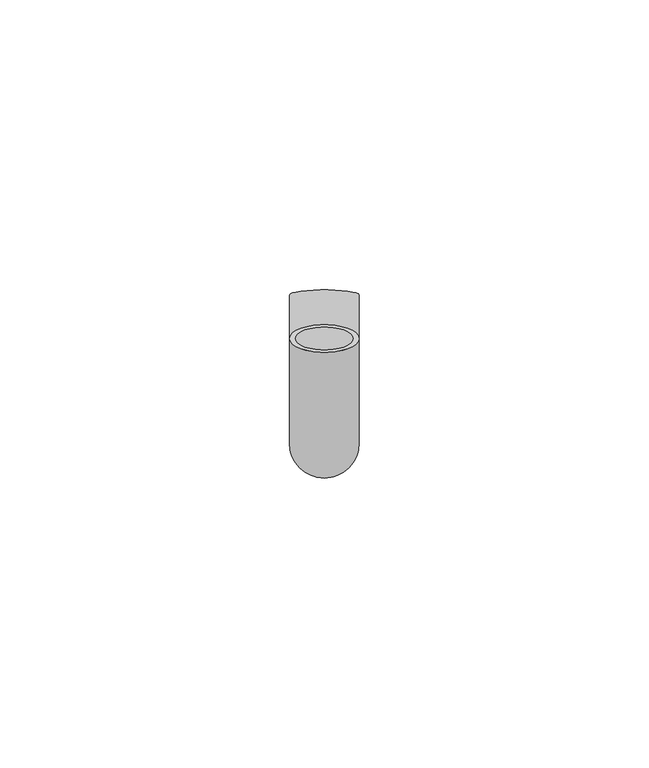
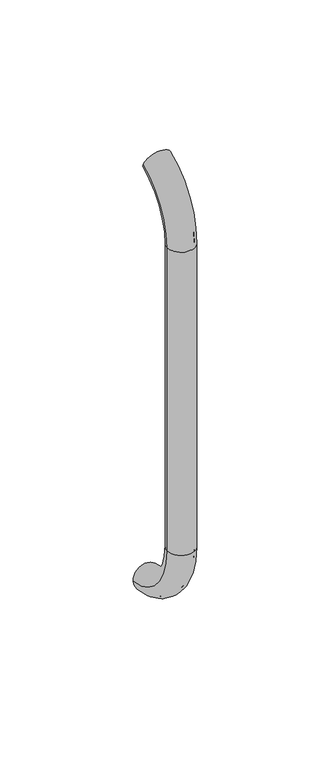
"""IFC4 building model written with IfcOpenShell, lengths in millimetres: beam geometry."""

from ifc_helpers import new_model, si_unit, point, frame, origin, place, context, project, spatial, polyline, circle_curve, ellipse_curve, trimmed, source, transform, mapped, element, save
from ifc_brep_helpers import plane_surface, cylinder_surface, revolved_surface, advanced_brep


def beam_e090c811(model_context):
    return source(origin(), model_context, "Body", "AdvancedBrep", [
        advanced_brep(
        [(4961.4386176, 2444.0395554, 1993.7787656), (4973.4386176, 2444.0395554, 1993.7787656), (4962.4386176, 2444.0395554, 1993.7787656), (4972.4386176, 2444.0395554, 1993.7787656), (4972.4386176, 2425.9629385, 1966.25), (4962.4386176, 2425.9629385, 1966.25), (4973.4386176, 2425.9629385, 1966.25), (4961.4386176, 2425.9629385, 1966.25), (4962.4386176, 2425.9629385, 1826.25), (4972.4386176, 2425.9629385, 1826.25), (4961.4386176, 2425.9629385, 1826.25), (4973.4386176, 2425.9629385, 1826.25), (4961.4386176, 2451.5825147, 1796.5715249), (4973.4386176, 2451.5825147, 1796.5715249), (4962.4386176, 2451.5825147, 1796.5715249), (4972.4386176, 2451.5825147, 1796.5715249)],
        [
            (0, 1, circle_curve(frame((4967.4386176, 2444.0395554, 1993.7787656), z_axis=(0.0, 0.9176255197351176, 0.3974461039321624), x_axis=(1.0, 0.0, 0.0)), 6.0)),
            (1, 0, circle_curve(frame((4967.4386176, 2444.0395554, 1993.7787656), z_axis=(0.0, 0.9176255197351176, 0.3974461039321624), x_axis=(1.0, 0.0, 0.0)), 6.0)),
            (2, 3, circle_curve(frame((4967.4386176, 2444.0395554, 1993.7787656), z_axis=(0.0, -0.9176255197351176, -0.3974461039321624), x_axis=(1.0, 0.0, 0.0)), 5.0)),
            (3, 2, circle_curve(frame((4967.4386176, 2444.0395554, 1993.7787656), z_axis=(0.0, -0.9176255197351176, -0.3974461039321624), x_axis=(1.0, 0.0, 0.0)), 5.0)),
            (4, 3, circle_curve(frame((4972.4386176, 2455.9629385, 1966.25), z_axis=(-1.0, 0.0, 0.0), x_axis=(0.0, -0.3974461039321624, 0.9176255197351176)), 30.0)),
            (2, 5, circle_curve(frame((4962.4386176, 2455.9629385, 1966.25), z_axis=(1.0, 0.0, 0.0), x_axis=(0.0, -0.3974461039321624, 0.9176255197351176)), 30.0)),
            (5, 4, circle_curve(frame((4967.4386176, 2425.9629385, 1966.25), z_axis=(0.0, 0.0, -1.0), x_axis=(1.0, 0.0, 0.0)), 5.0)),
            (4, 5, circle_curve(frame((4967.4386176, 2425.9629385, 1966.25), z_axis=(0.0, 0.0, -1.0), x_axis=(1.0, 0.0, 0.0)), 5.0)),
            (6, 1, circle_curve(frame((4973.4386176, 2455.9629385, 1966.25), z_axis=(-1.0, 0.0, 0.0), x_axis=(0.0, -0.3974461039321624, 0.9176255197351176)), 30.0)),
            (0, 7, circle_curve(frame((4961.4386176, 2455.9629385, 1966.25), z_axis=(1.0, 0.0, 0.0), x_axis=(0.0, -0.3974461039321624, 0.9176255197351176)), 30.0)),
            (7, 6, circle_curve(frame((4967.4386176, 2425.9629385, 1966.25), z_axis=(0.0, 0.0, 1.0), x_axis=(1.0, 0.0, 0.0)), 6.0)),
            (6, 7, circle_curve(frame((4967.4386176, 2425.9629385, 1966.25), z_axis=(0.0, 0.0, 1.0), x_axis=(1.0, 0.0, 0.0)), 6.0)),
            (5, 8),
            (8, 9, circle_curve(frame((4967.4386176, 2425.9629385, 1826.25), z_axis=(0.0, 0.0, -1.0), x_axis=(1.0, 0.0, 0.0)), 5.0)),
            (9, 4),
            (9, 8, circle_curve(frame((4967.4386176, 2425.9629385, 1826.25), z_axis=(0.0, 0.0, -1.0), x_axis=(1.0, 0.0, 0.0)), 5.0)),
            (7, 10),
            (10, 11, circle_curve(frame((4967.4386176, 2425.9629385, 1826.25), z_axis=(0.0, 0.0, 1.0), x_axis=(1.0, 0.0, 0.0)), 6.0)),
            (11, 6),
            (11, 10, circle_curve(frame((4967.4386176, 2425.9629385, 1826.25), z_axis=(0.0, 0.0, 1.0), x_axis=(1.0, 0.0, 0.0)), 6.0)),
            (12, 13, circle_curve(frame((4967.4386176, 2451.5825147, 1796.5715249), z_axis=(0.0, 0.9892825047438852, -0.14601412879466394), x_axis=(1.0, 0.0, 0.0)), 6.0)),
            (13, 12, circle_curve(frame((4967.4386176, 2451.5825147, 1796.5715249), z_axis=(0.0, 0.9892825047438852, -0.14601412879466394), x_axis=(1.0, 0.0, 0.0)), 6.0)),
            (14, 15, circle_curve(frame((4967.4386176, 2451.5825147, 1796.5715249), z_axis=(0.0, -0.9892825047438852, 0.14601412879466394), x_axis=(1.0, 0.0, 0.0)), 5.0)),
            (15, 14, circle_curve(frame((4967.4386176, 2451.5825147, 1796.5715249), z_axis=(0.0, -0.9892825047438852, 0.14601412879466394), x_axis=(1.0, 0.0, 0.0)), 5.0)),
            (15, 9, circle_curve(frame((4972.4386176, 2455.9629385, 1826.25), z_axis=(-1.0, 0.0, 0.0), x_axis=(0.0, -1.0, 0.0)), 30.0)),
            (8, 14, circle_curve(frame((4962.4386176, 2455.9629385, 1826.25), z_axis=(1.0, 0.0, 0.0), x_axis=(0.0, -1.0, 0.0)), 30.0)),
            (13, 11, circle_curve(frame((4973.4386176, 2455.9629385, 1826.25), z_axis=(-1.0, 0.0, 0.0), x_axis=(0.0, -1.0, 0.0)), 30.0)),
            (10, 12, circle_curve(frame((4961.4386176, 2455.9629385, 1826.25), z_axis=(1.0, 0.0, 0.0), x_axis=(0.0, -1.0, 0.0)), 30.0)),
        ],
        [
            plane_surface(frame((4967.4386176, 2444.0395554, 1993.7787656), z_axis=(0.0, 0.9176255197351176, 0.3974461039321624), x_axis=(1.0, 0.0, 0.0))),
            revolved_surface(trimmed(ellipse_curve(frame((4967.4386176, 2444.0395554, 1993.7787656), z_axis=(0.0, -0.9176255197351176, -0.3974461039321624), x_axis=(1.0, 0.0, 0.0)), 5.0, 5.0), [point((4962.4386176, 2444.0395554, 1993.7787656))], [point((4972.4386176, 2444.0395554, 1993.7787656))], True, "CARTESIAN"), (4967.4386176, 2455.9629385, 1966.25), (1.0, 0.0, 0.0)),
            revolved_surface(trimmed(ellipse_curve(frame((4967.4386176, 2444.0395554, 1993.7787656), z_axis=(0.0, -0.9176255197351176, -0.3974461039321624), x_axis=(1.0, 0.0, 0.0)), 5.0, 5.0), [point((4972.4386176, 2444.0395554, 1993.7787656))], [point((4962.4386176, 2444.0395554, 1993.7787656))], True, "CARTESIAN"), (4967.4386176, 2455.9629385, 1966.25), (1.0, 0.0, 0.0)),
            revolved_surface(trimmed(ellipse_curve(frame((4967.4386176, 2444.0395554, 1993.7787656), z_axis=(0.0, 0.9176255197351176, 0.3974461039321624), x_axis=(1.0, 0.0, 0.0)), 6.0, 6.0), [point((4961.4386176, 2444.0395554, 1993.7787656))], [point((4973.4386176, 2444.0395554, 1993.7787656))], True, "CARTESIAN"), (4967.4386176, 2455.9629385, 1966.25), (1.0, 0.0, 0.0)),
            revolved_surface(trimmed(ellipse_curve(frame((4967.4386176, 2444.0395554, 1993.7787656), z_axis=(0.0, 0.9176255197351176, 0.3974461039321624), x_axis=(1.0, 0.0, 0.0)), 6.0, 6.0), [point((4973.4386176, 2444.0395554, 1993.7787656))], [point((4961.4386176, 2444.0395554, 1993.7787656))], True, "CARTESIAN"), (4967.4386176, 2455.9629385, 1966.25), (1.0, 0.0, 0.0)),
            revolved_surface(polyline([(4972.4386176, 2425.9629385, 1826.25), (4972.4386176, 2425.9629385, 1966.25)]), (4967.4386176, 2425.9629385, 1966.25), (0.0, 0.0, -1.0)),
            cylinder_surface(frame((4967.4386176, 2425.9629385, 1966.25), z_axis=(0.0, 0.0, 1.0), x_axis=(1.0, 0.0, 0.0)), 6.0),
            plane_surface(frame((4967.4386176, 2451.5825147, 1796.5715249), z_axis=(0.0, 0.9892825047438852, -0.14601412879466397), x_axis=(1.0, 0.0, 0.0))),
            revolved_surface(trimmed(ellipse_curve(frame((4967.4386176, 2425.9629385, 1826.25), z_axis=(0.0, 0.0, -1.0), x_axis=(1.0, 0.0, 0.0)), 5.0, 5.0), [point((4962.4386176, 2425.9629385, 1826.25))], [point((4972.4386176, 2425.9629385, 1826.25))], True, "CARTESIAN"), (4967.4386176, 2455.9629385, 1826.25), (1.0, 0.0, 0.0)),
            revolved_surface(trimmed(ellipse_curve(frame((4967.4386176, 2425.9629385, 1826.25), z_axis=(0.0, 0.0, -1.0), x_axis=(1.0, 0.0, 0.0)), 5.0, 5.0), [point((4972.4386176, 2425.9629385, 1826.25))], [point((4962.4386176, 2425.9629385, 1826.25))], True, "CARTESIAN"), (4967.4386176, 2455.9629385, 1826.25), (1.0, 0.0, 0.0)),
            revolved_surface(trimmed(ellipse_curve(frame((4967.4386176, 2425.9629385, 1826.25), z_axis=(0.0, 0.0, 1.0), x_axis=(1.0, 0.0, 0.0)), 6.0, 6.0), [point((4961.4386176, 2425.9629385, 1826.25))], [point((4973.4386176, 2425.9629385, 1826.25))], True, "CARTESIAN"), (4967.4386176, 2455.9629385, 1826.25), (1.0, 0.0, 0.0)),
            revolved_surface(trimmed(ellipse_curve(frame((4967.4386176, 2425.9629385, 1826.25), z_axis=(0.0, 0.0, 1.0), x_axis=(1.0, 0.0, 0.0)), 6.0, 6.0), [point((4973.4386176, 2425.9629385, 1826.25))], [point((4961.4386176, 2425.9629385, 1826.25))], True, "CARTESIAN"), (4967.4386176, 2455.9629385, 1826.25), (1.0, 0.0, 0.0)),
        ],
        [
            (0, [[1, 2], [3, 4]]),
            (1, [[5, -3, 6, 7]]),
            (2, [[-6, -4, -5, 8]]),
            (3, [[9, -1, 10, 11]]),
            (4, [[-10, -2, -9, 12]]),
            (5, [[-7, 13, 14, 15]]),
            (5, [[-8, -15, 16, -13]]),
            (6, [[-11, 17, 18, 19]]),
            (6, [[-12, -19, 20, -17]]),
            (7, [[21, 22], [23, 24]]),
            (8, [[25, -14, 26, -24]]),
            (9, [[-26, -16, -25, -23]]),
            (10, [[27, -18, 28, -22]]),
            (11, [[-28, -20, -27, -21]]),
        ],
    ),
    ])


if __name__ == "__main__":
    model = new_model("IFC4")
    model_context = context("Model", 3, world=origin())
    ifc_project = project(units=[si_unit("LENGTHUNIT", "METRE", prefix="MILLI")], contexts=[model_context])
    site = spatial("IfcSite", under=ifc_project)
    building = spatial("IfcBuilding", under=site)
    placement = place(None, origin())
    beam_shape = beam_e090c811(model_context)
    element("IfcBeam", 1, at=placement, inside=building, context=model_context, shape_type="MappedRepresentation", body=[
        mapped(beam_shape, transform((0.0, 0.0, 0.0), x_axis=(1.0, 0.0, 0.0), y_axis=(0.0, 1.0, 0.0), z_axis=(0.0, 0.0, 1.0))),
    ])
    save(model, "model.ifc")
